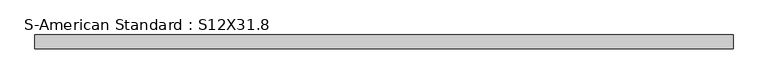
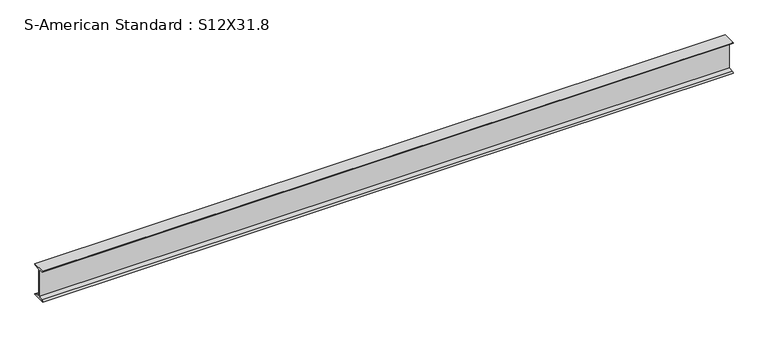
"""IFC4 building model written with IfcOpenShell, lengths in millimetres: beam geometry, S-American Standard : S12X31.8."""

from ifc_helpers import new_model, si_unit, point, frame, frame_2d, origin, place, context, project, spatial, polyline, circle_curve, trimmed, segment, composite_curve, outline, extrude, source, transform, mapped, element, save


def s_american_standard_s12x31_8_5aaefdcb(model_context):
    return source(origin(), model_context, "Body", "SweptSolid", [
        extrude(outline(composite_curve([segment(polyline([(-63.5, 152.4), (63.5, 152.4)]), True, "CONTINUOUS"), segment(trimmed(circle_curve(frame_2d((49.7, 152.4)), 13.8), [point((63.5, 152.4))], [point((49.7, 138.6))], False, "CARTESIAN"), True, "CONTINUOUS"), segment(polyline([(49.7, 138.6), (4.45, 131.4331041), (4.45, -131.4331041), (49.7, -138.6)]), True, "CONTINUOUS"), segment(trimmed(circle_curve(frame_2d((49.7, -152.4)), 13.8), [point((49.7, -138.6))], [point((63.5, -152.4))], False, "CARTESIAN"), True, "CONTINUOUS"), segment(polyline([(63.5, -152.4), (-63.5, -152.4)]), True, "CONTINUOUS"), segment(trimmed(circle_curve(frame_2d((-49.7, -152.4)), 13.8), [point((-63.5, -152.4))], [point((-49.7, -138.6))], False, "CARTESIAN"), True, "CONTINUOUS"), segment(polyline([(-49.7, -138.6), (-4.45, -131.4331041), (-4.45, 131.4331041), (-49.7, 138.6)]), True, "CONTINUOUS"), segment(trimmed(circle_curve(frame_2d((-49.7, 152.4)), 13.8), [point((-49.7, 138.6))], [point((-63.5, 152.4))], False, "CARTESIAN"), True, "CONTINUOUS")], self_intersect=False)), frame((-3231.5984097, 0.0, 0.0), z_axis=(1.0, 0.0, 0.0), x_axis=(0.0, 1.0, 0.0)), (0.0, 0.0, 1.0), 6467.514317),
    ])


if __name__ == "__main__":
    model = new_model("IFC4")
    model_context = context("Model", 3, world=origin())
    ifc_project = project(units=[si_unit("LENGTHUNIT", "METRE", prefix="MILLI")], contexts=[model_context])
    site = spatial("IfcSite", under=ifc_project)
    building = spatial("IfcBuilding", under=site)
    placement = place(None, origin())
    s_american_standard_s12x31_8_shape = s_american_standard_s12x31_8_5aaefdcb(model_context)
    element("IfcBeam", 1, ObjectType="S-American Standard : S12X31.8", at=placement, inside=building, context=model_context, shape_type="MappedRepresentation", body=[
        mapped(s_american_standard_s12x31_8_shape, transform((0.0, 0.0, 0.0), x_axis=(1.0, 0.0, 0.0), y_axis=(0.0, 1.0, 0.0), z_axis=(0.0, 0.0, 1.0))),
    ])
    save(model, "model.ifc")
